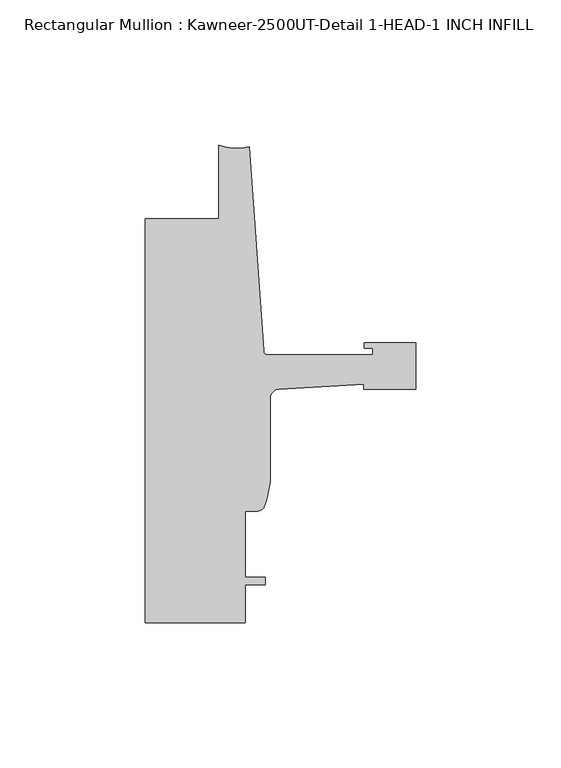
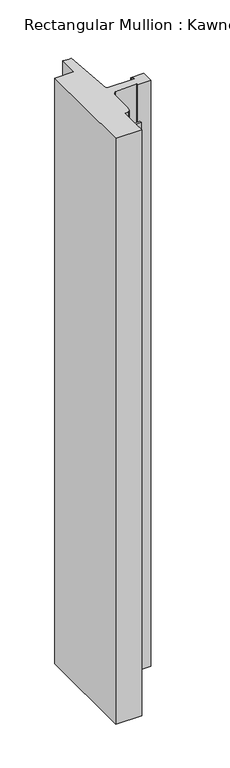
"""IFC4 building model written with IfcOpenShell, lengths in millimetres: member geometry, Rectangular Mullion : Kawneer-2500UT-Detail 1-HEAD-1 INCH INFILL."""

import ifcopenshell
import ifcopenshell.guid

model = None  # the IFC model being written
_history = None  # IfcOwnerHistory: only IFC2X3 demands one
_inside = {}  # id of a spatial element -> (the spatial element, [elements in it])
_under = {}  # id of a project, library or spatial element -> (it, [spatial elements below it])
_declared = {}  # id of a project -> (the project, [libraries it declares])
_typed = {}  # id of a type object -> (the type object, [elements of that type])
_made_of = {}  # id of a material, layer set ... -> (it, [elements and type objects made of it])


def new_model(schema):
    """Start an empty IFC model of exactly this schema.

    Asked for "IFC4X3", IfcOpenShell would pick the latest addendum, in which some entities
    have other attributes; the version numbers below select the first issue.
    IFC2X3 requires an IfcOwnerHistory on every rooted entity: one is made here for all.
    """
    global model, _history
    if schema == "IFC4X3":
        model = ifcopenshell.file(schema_version=(4, 3, 0, 0))
    else:
        model = ifcopenshell.file(schema=schema)
    _inside.clear()
    _under.clear()
    _declared.clear()
    _typed.clear()
    _made_of.clear()
    _history = None
    if model.schema == "IFC2X3":
        org = make("IfcOrganization", Name="unknown")
        user = make(
            "IfcPersonAndOrganization",
            ThePerson=make("IfcPerson", FamilyName="unknown"),
            TheOrganization=org,
        )
        app = make(
            "IfcApplication",
            ApplicationDeveloper=org,
            Version="unknown",
            ApplicationFullName="unknown",
            ApplicationIdentifier="unknown",
        )
        _history = make(
            "IfcOwnerHistory",
            OwningUser=user,
            OwningApplication=app,
            ChangeAction="ADDED",
            CreationDate=0,
        )
    return model


def make(cls, **values):
    """One entity of the class cls with the attributes given. An attribute that is None is left unset."""
    return model.create_entity(
        cls, **{name: value for name, value in values.items() if value is not None}
    )


def rooted(cls, **values):
    """An entity with a GlobalId (a new one), such as an element, a storey or a relation."""
    return make(cls, GlobalId=ifcopenshell.guid.new(), OwnerHistory=_history, **values)


def si_unit(unit_type, name, prefix=None):
    """IfcSIUnit, for example si_unit("LENGTHUNIT", "METRE", prefix="MILLI")."""
    return make("IfcSIUnit", UnitType=unit_type, Prefix=prefix, Name=name)


def assignment(units):
    """IfcUnitAssignment: the units of a project."""
    return None if units is None else make("IfcUnitAssignment", Units=units)


def point(xyz):
    """IfcCartesianPoint."""
    return None if xyz is None else make("IfcCartesianPoint", Coordinates=xyz)


def direction(xyz):
    """IfcDirection."""
    return None if xyz is None else make("IfcDirection", DirectionRatios=xyz)


def frame(location, z_axis=None, x_axis=None):
    """IfcAxis2Placement3D, a coordinate frame: its origin and axes. An axis left out is left unset."""
    return make(
        "IfcAxis2Placement3D",
        Location=point(location),
        Axis=direction(z_axis),
        RefDirection=direction(x_axis),
    )


def frame_2d(location, x_axis=None):
    """IfcAxis2Placement2D, a coordinate frame in the plane: its origin and x axis."""
    return make(
        "IfcAxis2Placement2D", Location=point(location), RefDirection=direction(x_axis)
    )


def origin():
    """The frame at (0, 0, 0) with its axes left unset."""
    return frame((0.0, 0.0, 0.0))


def place(relative_to, where):
    """IfcLocalPlacement: puts the frame where relative to a parent placement (None: the world)."""
    return make(
        "IfcLocalPlacement", PlacementRelTo=relative_to, RelativePlacement=where
    )


def context(
    kind, dimensions, precision=None, world=None, true_north=None, identifier=None
):
    """IfcGeometricRepresentationContext, for example the 3D "Model" context."""
    return make(
        "IfcGeometricRepresentationContext",
        ContextIdentifier=identifier,
        ContextType=kind,
        CoordinateSpaceDimension=dimensions,
        Precision=precision,
        WorldCoordinateSystem=world,
        TrueNorth=true_north,
    )


def project(units=None, contexts=None):
    """IfcProject with its units and contexts."""
    return rooted(
        "IfcProject",
        Name="project",
        RepresentationContexts=contexts,
        UnitsInContext=assignment(units),
    )


def spatial(cls, under=None, at=None, **own):
    """A site, building, storey or space (cls), placed at a placement, below another one or the project."""
    s = rooted(cls, ObjectPlacement=at, **own)
    if under is not None:
        _under.setdefault(under.id(), (under, []))[1].append(s)
    return s


def polyline(points):
    """IfcPolyline through the points."""
    return make("IfcPolyline", Points=[point(p) for p in points])


def circle_curve(where, radius):
    """IfcCircle in the frame where."""
    return make("IfcCircle", Position=where, Radius=radius)


def trimmed(basis, trim1, trim2, sense, master):
    """IfcTrimmedCurve: the piece of a basis curve between two trims."""
    return make(
        "IfcTrimmedCurve",
        BasisCurve=basis,
        Trim1=trim1,
        Trim2=trim2,
        SenseAgreement=sense,
        MasterRepresentation=master,
    )


def segment(curve, same_sense, transition):
    """IfcCompositeCurveSegment."""
    return make(
        "IfcCompositeCurveSegment",
        Transition=transition,
        SameSense=same_sense,
        ParentCurve=curve,
    )


def composite_curve(segments, self_intersect=None):
    """IfcCompositeCurve: segments joined end to end."""
    return make("IfcCompositeCurve", Segments=segments, SelfIntersect=self_intersect)


def outline(outer, holes=None, kind="AREA"):
    """IfcArbitraryClosedProfileDef: a profile drawn as a closed curve; with holes, ...WithVoids."""
    if holes is None:
        return make("IfcArbitraryClosedProfileDef", ProfileType=kind, OuterCurve=outer)
    return make(
        "IfcArbitraryProfileDefWithVoids",
        ProfileType=kind,
        OuterCurve=outer,
        InnerCurves=holes,
    )


def extrude(swept, where, along, depth):
    """IfcExtrudedAreaSolid: the profile swept, set in the frame where, extruded along a direction by depth."""
    return make(
        "IfcExtrudedAreaSolid",
        SweptArea=swept,
        Position=where,
        ExtrudedDirection=direction(along),
        Depth=depth,
    )


def shape(context_of_items, identifier, shape_type, items):
    """IfcShapeRepresentation: the items that make up one representation, for example the "Body"."""
    return make(
        "IfcShapeRepresentation",
        ContextOfItems=context_of_items,
        RepresentationIdentifier=identifier,
        RepresentationType=shape_type,
        Items=items,
    )


def source(mapping_origin, context_of_items, identifier, shape_type, items):
    """IfcRepresentationMap: a shape defined once, which mapped items show again and again."""
    return make(
        "IfcRepresentationMap",
        MappingOrigin=mapping_origin,
        MappedRepresentation=shape(context_of_items, identifier, shape_type, items),
    )


def transform(
    local_origin,
    x_axis=None,
    y_axis=None,
    z_axis=None,
    scale=None,
    scale2=None,
    scale3=None,
    uniform=True,
):
    """IfcCartesianTransformationOperator3D, or its non-uniform kind. x_axis, y_axis, z_axis: its Axis1, 2, 3."""
    if uniform:
        return make(
            "IfcCartesianTransformationOperator3D",
            Axis1=direction(x_axis),
            Axis2=direction(y_axis),
            LocalOrigin=point(local_origin),
            Scale=scale,
            Axis3=direction(z_axis),
        )
    return make(
        "IfcCartesianTransformationOperator3DnonUniform",
        Axis1=direction(x_axis),
        Axis2=direction(y_axis),
        LocalOrigin=point(local_origin),
        Scale=scale,
        Axis3=direction(z_axis),
        Scale2=scale2,
        Scale3=scale3,
    )


def mapped(mapping_source, mapping_target):
    """IfcMappedItem: shows the shape of a source again, moved by a transform."""
    return make(
        "IfcMappedItem", MappingSource=mapping_source, MappingTarget=mapping_target
    )


def made_of(thing, what):
    """Note that an element or type object is made of a material, layer set ...; save() writes the relation."""
    if what is not None:
        _made_of.setdefault(what.id(), (what, []))[1].append(thing)
    return thing


def element(
    cls,
    number,
    at=None,
    inside=None,
    cuts=None,
    type_object=None,
    material=None,
    context=None,
    identifier="Body",
    shape_type=None,
    held_by="IfcProductDefinitionShape",
    body=None,
    shapes=None,
    **own,
):
    """One element of the class cls, such as IfcWall. Its Tag is "e" and its number.

    at: its placement. inside: the storey or other place that contains it. cuts: it is an
    opening in that element (IfcRelVoidsElement). A single representation is given by context,
    identifier, shape_type and body (its items); several are given by shapes. held_by: the class
    of the entity that holds the representations. save() writes the other relations.
    """
    e = rooted(cls, Tag="e%d" % number, ObjectPlacement=at, **own)
    if body is not None:
        shapes = [shape(context, identifier, shape_type, body)]
    if shapes is not None:
        e.Representation = make(held_by, Representations=shapes)
    if inside is not None:
        _inside.setdefault(inside.id(), (inside, []))[1].append(e)
    if cuts is not None:
        rooted(
            "IfcRelVoidsElement", RelatingBuildingElement=cuts, RelatedOpeningElement=e
        )
    if type_object is not None:
        _typed.setdefault(type_object.id(), (type_object, []))[1].append(e)
    return made_of(e, material)


def aggregate(whole, parts):
    """IfcRelAggregates: a whole, such as a stair, and the parts it consists of."""
    return rooted("IfcRelAggregates", RelatingObject=whole, RelatedObjects=parts)


def save(model, path):
    """Write the relations noted so far, then the file.

    IfcRelAggregates (storeys below a building ...), IfcRelContainedInSpatialStructure (elements
    in a storey), IfcRelDefinesByType, IfcRelAssociatesMaterial and IfcRelDeclares: one each for
    every whole, place, type object, material and project.
    """
    for whole, parts in _under.values():
        aggregate(whole, parts)
    for where, things in _inside.values():
        rooted(
            "IfcRelContainedInSpatialStructure",
            RelatedElements=things,
            RelatingStructure=where,
        )
    for kind, things in _typed.values():
        rooted("IfcRelDefinesByType", RelatedObjects=things, RelatingType=kind)
    for what, things in _made_of.values():
        rooted("IfcRelAssociatesMaterial", RelatedObjects=things, RelatingMaterial=what)
    for by, libraries in _declared.values():
        rooted("IfcRelDeclares", RelatingContext=by, RelatedDefinitions=libraries)
    model.write(path)


def rectangular_mullion_kawneer_2500ut_detail_1_head_1_inch_06b39b3e(model_context):
    return source(origin(), model_context, "Body", "SweptSolid", [
        extrude(outline(composite_curve([segment(polyline([(-17.9118541, -82.4047673), (-47.0897067, -84.1438176)]), True, "CONTINUOUS"), segment(trimmed(circle_curve(frame_2d((-46.9265, -87.3146201)), 3.175), [point((-47.0897067, -84.1438176))], [point((-50.1015, -87.3146201))], True, "CARTESIAN"), True, "CONTINUOUS"), segment(polyline([(-50.1015, -87.3146201), (-50.1015, -116.0261074), (-51.2667352, -122.020723), (-51.8795003, -123.6081953)]), True, "CONTINUOUS"), segment(trimmed(circle_curve(frame_2d((-54.4195002, -123.6081953)), 2.5399999), [point((-51.8795003, -123.6081953))], [point((-54.4195002, -126.1481952))], False, "CARTESIAN"), True, "CONTINUOUS"), segment(polyline([(-54.4195002, -126.1481952), (-58.7375, -126.1481952), (-58.7375, -149.0081952), (-51.8795003, -149.0081952), (-51.8795003, -151.5481952), (-58.7375, -151.5481952), (-58.7375, -164.5919944), (-93.2286109, -164.5919944), (-93.2286109, -25.4004469), (-67.8287241, -25.4004469), (-67.8287241, 5.6e-06)]), True, "CONTINUOUS"), segment(trimmed(circle_curve(frame_2d((-61.5737839, 15.5330855)), 16.7451739), [point((-67.8287241, 5.6e-06))], [point((-57.2987828, -0.657196))], True, "CARTESIAN"), True, "CONTINUOUS"), segment(polyline([(-57.2987828, -0.657196), (-52.3871824, -70.8961036)]), True, "CONTINUOUS"), segment(trimmed(circle_curve(frame_2d((-50.8668948, -70.7897944)), 1.524), [point((-52.3871824, -70.8961036))], [point((-50.8668948, -72.3137944))], True, "CARTESIAN"), True, "CONTINUOUS"), segment(polyline([(-50.8668948, -72.3137944), (-14.783487, -72.3137944), (-14.783487, -69.9769943), (-17.6377748, -69.9769943), (-17.6377748, -68.1989943), (0.0, -68.1989943), (0.0, -84.2009942), (-17.9118541, -84.2009942), (-17.9118541, -82.4047673)]), True, "CONTINUOUS")], self_intersect=False)), frame((0.0, 0.0, -819.15), z_axis=(0.0, 0.0, 1.0), x_axis=(1.0, 0.0, 0.0)), (0.0, 0.0, 1.0), 819.15),
    ])


if __name__ == "__main__":
    model = new_model("IFC4")
    model_context = context("Model", 3, world=origin())
    ifc_project = project(units=[si_unit("LENGTHUNIT", "METRE", prefix="MILLI")], contexts=[model_context])
    site = spatial("IfcSite", under=ifc_project)
    building = spatial("IfcBuilding", under=site)
    placement = place(None, origin())
    rectangular_mullion_kawneer_2500ut_detail_1_head_1_inch_shape = rectangular_mullion_kawneer_2500ut_detail_1_head_1_inch_06b39b3e(model_context)
    element("IfcMember", 1, ObjectType="Rectangular Mullion : Kawneer-2500UT-Detail 1-HEAD-1 INCH INFILL", at=placement, inside=building, context=model_context, shape_type="MappedRepresentation", body=[
        mapped(rectangular_mullion_kawneer_2500ut_detail_1_head_1_inch_shape, transform((0.0, 0.0, 0.0), x_axis=(1.0, 0.0, 0.0), y_axis=(0.0, 1.0, 0.0), z_axis=(0.0, 0.0, 1.0))),
    ])
    save(model, "model.ifc")
